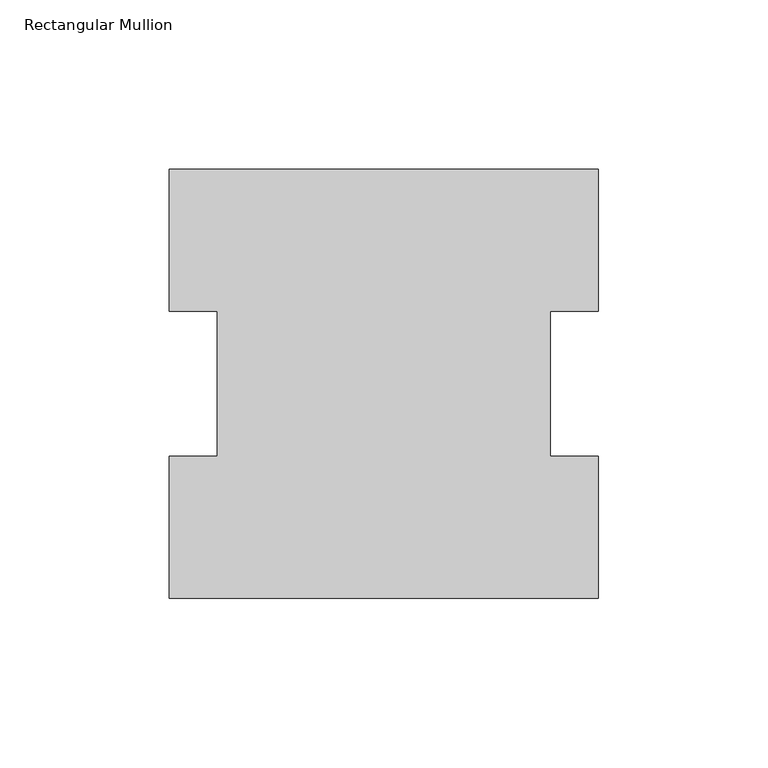
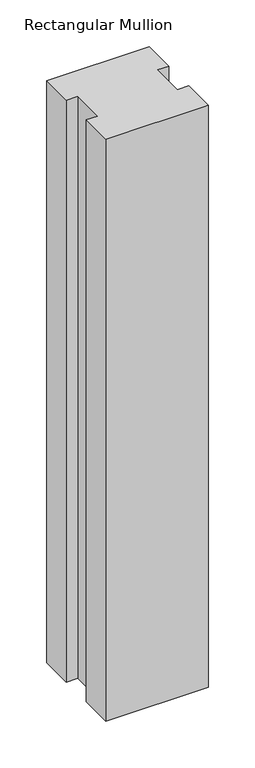
"""IFC4 building model written with IfcOpenShell, lengths in millimetres: member geometry, Rectangular Mullion."""

from ifc_helpers import new_model, si_unit, frame, origin, place, context, project, spatial, polyline, outline, extrude, source, transform, mapped, element, save


def rectangular_mullion_6cfbd35f(model_context):
    return source(origin(), model_context, "Body", "SweptSolid", [
        extrude(outline(polyline([(-63.5, 127.00635), (63.5, 127.00635), (63.5, 84.93125), (49.2125, 84.93125), (49.2125, 42.08145), (63.5, 42.08145), (63.5, 0.00635), (-63.5, 0.00635), (-63.5, 42.08145), (-49.2125, 42.08145), (-49.2125, 84.93125), (-63.5, 84.93125), (-63.5, 127.00635)])), frame((0.0, 0.0, -762.0227299), z_axis=(0.0, 0.0, 1.0), x_axis=(1.0, 0.0, 0.0)), (0.0, 0.0, 1.0), 762.0227299),
    ])


if __name__ == "__main__":
    model = new_model("IFC4")
    model_context = context("Model", 3, world=origin())
    ifc_project = project(units=[si_unit("LENGTHUNIT", "METRE", prefix="MILLI")], contexts=[model_context])
    site = spatial("IfcSite", under=ifc_project)
    building = spatial("IfcBuilding", under=site)
    placement = place(None, origin())
    rectangular_mullion_shape = rectangular_mullion_6cfbd35f(model_context)
    element("IfcMember", 1, ObjectType="Rectangular Mullion", at=placement, inside=building, context=model_context, shape_type="MappedRepresentation", body=[
        mapped(rectangular_mullion_shape, transform((0.0, 0.0, 0.0), x_axis=(1.0, 0.0, 0.0), y_axis=(0.0, 1.0, 0.0), z_axis=(0.0, 0.0, 1.0))),
    ])
    save(model, "model.ifc")
